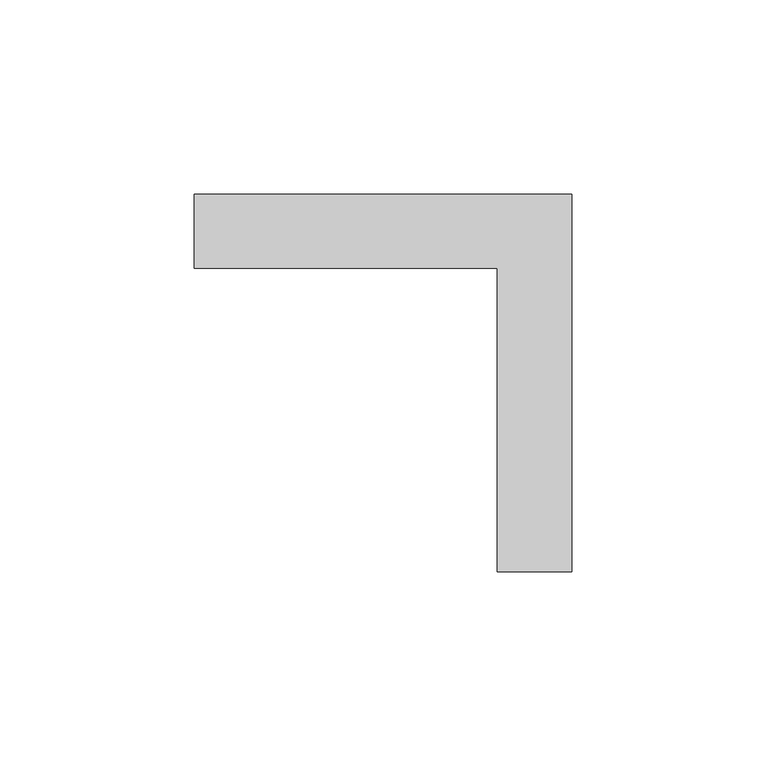
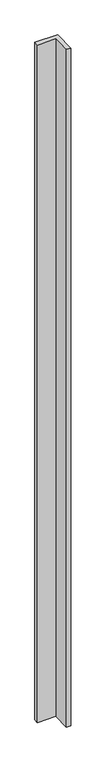
"""IFC4 building model written with IfcOpenShell, lengths in millimetres: proxy geometry."""

from ifc_helpers import new_model, si_unit, origin, origin_with_axes, place, context, project, spatial, polyline, outline, extrude, source, transform, mapped, element, save


def specialty_equipment_a50fd7a3(model_context):
    return source(origin(), model_context, "Body", "SweptSolid", [
        extrude(outline(polyline([(-47.0296875, 50.00625), (49.9703128, 50.00625), (49.9703128, -46.9937503), (30.9203128, -46.9937503), (30.9203128, 30.95625), (-47.0296875, 30.95625), (-47.0296875, 50.00625)])), origin_with_axes(), (0.0, 0.0, 1.0), 3041.65),
    ])


if __name__ == "__main__":
    model = new_model("IFC4")
    model_context = context("Model", 3, world=origin())
    ifc_project = project(units=[si_unit("LENGTHUNIT", "METRE", prefix="MILLI")], contexts=[model_context])
    site = spatial("IfcSite", under=ifc_project)
    building = spatial("IfcBuilding", under=site)
    placement = place(None, origin())
    specialty_equipment_shape = specialty_equipment_a50fd7a3(model_context)
    element("IfcBuildingElementProxy", 1, Name="Specialty Equipment", at=placement, inside=building, context=model_context, shape_type="MappedRepresentation", body=[
        mapped(specialty_equipment_shape, transform((0.0, 0.0, 0.0), x_axis=(1.0, 0.0, 0.0), y_axis=(0.0, 1.0, 0.0), z_axis=(0.0, 0.0, 1.0))),
    ])
    save(model, "model.ifc")
